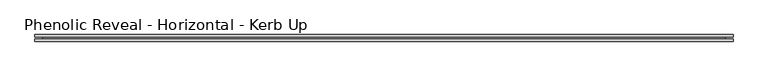
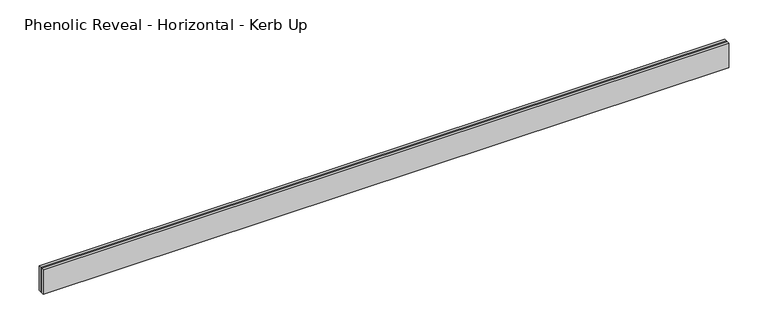
"""IFC4 building model written with IfcOpenShell, lengths in millimetres: proxy geometry, Phenolic Reveal - Horizontal - Kerb Up."""

from ifc_helpers import new_model, si_unit, origin, place, context, project, spatial, faceted_brep, source, transform, mapped, element, save


def phenolic_reveal_horizontal_kerb_up_fd7028f7(model_context):
    return source(origin(), model_context, "Body", "Brep", [
        faceted_brep([(1004.8875, 9.525, 0.0), (1004.8875, 9.525, 38.1), (1004.8875, 6.0765851, 38.1), (1004.8875, 6.0765851, 0.0), (1004.8875, 3.3757545, 0.0), (1004.8875, 3.3757545, 38.1), (1004.8875, 0.0, 38.1), (1004.8875, 0.0, 0.0), (0.0, 0.0, 0.0), (0.0, 0.0, 38.1), (0.0, 3.3757545, 38.1), (0.0, 3.3757545, 0.0), (0.0, 6.0765851, 0.0), (0.0, 6.0765851, 38.1), (0.0, 9.525, 38.1), (0.0, 9.525, 0.0), (993.775, 6.0765851, 0.0), (993.775, 3.3757545, 0.0), (11.1125, 3.3757545, 0.0), (11.1125, 6.0765851, 0.0), (993.775, 6.0765851, 26.9875), (993.775, 3.3757545, 26.9875), (11.1125, 6.0765851, 26.9875), (11.1125, 3.3757545, 26.9875)], [[[0, 1, 2, 3]], [[4, 5, 6, 7]], [[8, 9, 10, 11]], [[12, 13, 14, 15]], [[1, 0, 15, 14]], [[6, 5, 10, 9]], [[7, 6, 9, 8]], [[15, 0, 3, 16, 17, 4, 7, 8, 11, 18, 19, 12]], [[16, 20, 21, 17]], [[22, 19, 18, 23]], [[13, 2, 1, 14]], [[12, 19, 22, 20, 16, 3, 2, 13]], [[20, 22, 23, 21]], [[4, 17, 21, 23, 18, 11, 10, 5]]]),
    ])


if __name__ == "__main__":
    model = new_model("IFC4")
    model_context = context("Model", 3, world=origin())
    ifc_project = project(units=[si_unit("LENGTHUNIT", "METRE", prefix="MILLI")], contexts=[model_context])
    site = spatial("IfcSite", under=ifc_project)
    building = spatial("IfcBuilding", under=site)
    placement = place(None, origin())
    phenolic_reveal_horizontal_kerb_up_shape = phenolic_reveal_horizontal_kerb_up_fd7028f7(model_context)
    element("IfcBuildingElementProxy", 1, Name="Phenolic Reveal - Horizontal - Kerb Up", ObjectType="Phenolic Reveal - Horizontal - Kerb Up", at=placement, inside=building, context=model_context, shape_type="MappedRepresentation", body=[
        mapped(phenolic_reveal_horizontal_kerb_up_shape, transform((0.0, 0.0, 0.0), x_axis=(1.0, 0.0, 0.0), y_axis=(0.0, 1.0, 0.0), z_axis=(0.0, 0.0, 1.0))),
    ])
    save(model, "model.ifc")
